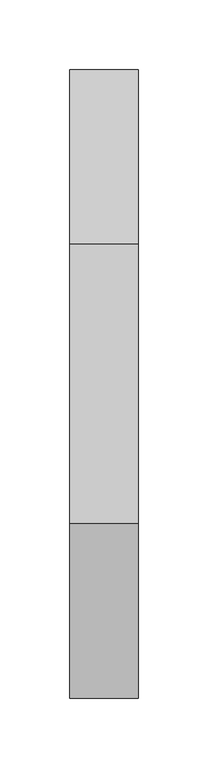
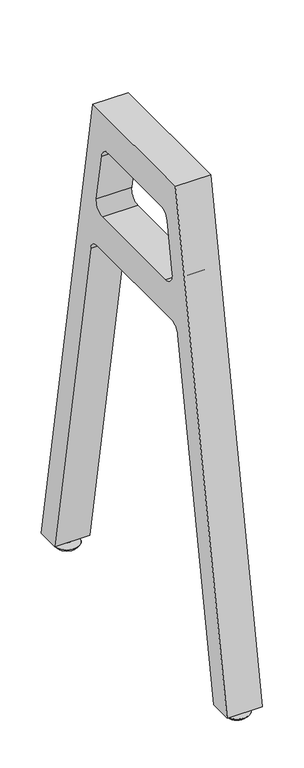
"""IFC4 building model written with IfcOpenShell, lengths in millimetres: furniture geometry."""

import ifcopenshell
import ifcopenshell.guid

model = None  # the IFC model being written
_history = None  # IfcOwnerHistory: only IFC2X3 demands one
_inside = {}  # id of a spatial element -> (the spatial element, [elements in it])
_under = {}  # id of a project, library or spatial element -> (it, [spatial elements below it])
_declared = {}  # id of a project -> (the project, [libraries it declares])
_typed = {}  # id of a type object -> (the type object, [elements of that type])
_made_of = {}  # id of a material, layer set ... -> (it, [elements and type objects made of it])


def new_model(schema):
    """Start an empty IFC model of exactly this schema.

    Asked for "IFC4X3", IfcOpenShell would pick the latest addendum, in which some entities
    have other attributes; the version numbers below select the first issue.
    IFC2X3 requires an IfcOwnerHistory on every rooted entity: one is made here for all.
    """
    global model, _history
    if schema == "IFC4X3":
        model = ifcopenshell.file(schema_version=(4, 3, 0, 0))
    else:
        model = ifcopenshell.file(schema=schema)
    _inside.clear()
    _under.clear()
    _declared.clear()
    _typed.clear()
    _made_of.clear()
    _history = None
    if model.schema == "IFC2X3":
        org = make("IfcOrganization", Name="unknown")
        user = make(
            "IfcPersonAndOrganization",
            ThePerson=make("IfcPerson", FamilyName="unknown"),
            TheOrganization=org,
        )
        app = make(
            "IfcApplication",
            ApplicationDeveloper=org,
            Version="unknown",
            ApplicationFullName="unknown",
            ApplicationIdentifier="unknown",
        )
        _history = make(
            "IfcOwnerHistory",
            OwningUser=user,
            OwningApplication=app,
            ChangeAction="ADDED",
            CreationDate=0,
        )
    return model


def make(cls, **values):
    """One entity of the class cls with the attributes given. An attribute that is None is left unset."""
    return model.create_entity(
        cls, **{name: value for name, value in values.items() if value is not None}
    )


def rooted(cls, **values):
    """An entity with a GlobalId (a new one), such as an element, a storey or a relation."""
    return make(cls, GlobalId=ifcopenshell.guid.new(), OwnerHistory=_history, **values)


def si_unit(unit_type, name, prefix=None):
    """IfcSIUnit, for example si_unit("LENGTHUNIT", "METRE", prefix="MILLI")."""
    return make("IfcSIUnit", UnitType=unit_type, Prefix=prefix, Name=name)


def assignment(units):
    """IfcUnitAssignment: the units of a project."""
    return None if units is None else make("IfcUnitAssignment", Units=units)


def point(xyz):
    """IfcCartesianPoint."""
    return None if xyz is None else make("IfcCartesianPoint", Coordinates=xyz)


def direction(xyz):
    """IfcDirection."""
    return None if xyz is None else make("IfcDirection", DirectionRatios=xyz)


def frame(location, z_axis=None, x_axis=None):
    """IfcAxis2Placement3D, a coordinate frame: its origin and axes. An axis left out is left unset."""
    return make(
        "IfcAxis2Placement3D",
        Location=point(location),
        Axis=direction(z_axis),
        RefDirection=direction(x_axis),
    )


def frame_2d(location, x_axis=None):
    """IfcAxis2Placement2D, a coordinate frame in the plane: its origin and x axis."""
    return make(
        "IfcAxis2Placement2D", Location=point(location), RefDirection=direction(x_axis)
    )


def origin():
    """The frame at (0, 0, 0) with its axes left unset."""
    return frame((0.0, 0.0, 0.0))


def place(relative_to, where):
    """IfcLocalPlacement: puts the frame where relative to a parent placement (None: the world)."""
    return make(
        "IfcLocalPlacement", PlacementRelTo=relative_to, RelativePlacement=where
    )


def context(
    kind, dimensions, precision=None, world=None, true_north=None, identifier=None
):
    """IfcGeometricRepresentationContext, for example the 3D "Model" context."""
    return make(
        "IfcGeometricRepresentationContext",
        ContextIdentifier=identifier,
        ContextType=kind,
        CoordinateSpaceDimension=dimensions,
        Precision=precision,
        WorldCoordinateSystem=world,
        TrueNorth=true_north,
    )


def project(units=None, contexts=None):
    """IfcProject with its units and contexts."""
    return rooted(
        "IfcProject",
        Name="project",
        RepresentationContexts=contexts,
        UnitsInContext=assignment(units),
    )


def spatial(cls, under=None, at=None, **own):
    """A site, building, storey or space (cls), placed at a placement, below another one or the project."""
    s = rooted(cls, ObjectPlacement=at, **own)
    if under is not None:
        _under.setdefault(under.id(), (under, []))[1].append(s)
    return s


def polyline(points):
    """IfcPolyline through the points."""
    return make("IfcPolyline", Points=[point(p) for p in points])


def circle_curve(where, radius):
    """IfcCircle in the frame where."""
    return make("IfcCircle", Position=where, Radius=radius)


def trimmed(basis, trim1, trim2, sense, master):
    """IfcTrimmedCurve: the piece of a basis curve between two trims."""
    return make(
        "IfcTrimmedCurve",
        BasisCurve=basis,
        Trim1=trim1,
        Trim2=trim2,
        SenseAgreement=sense,
        MasterRepresentation=master,
    )


def segment(curve, same_sense, transition):
    """IfcCompositeCurveSegment."""
    return make(
        "IfcCompositeCurveSegment",
        Transition=transition,
        SameSense=same_sense,
        ParentCurve=curve,
    )


def composite_curve(segments, self_intersect=None):
    """IfcCompositeCurve: segments joined end to end."""
    return make("IfcCompositeCurve", Segments=segments, SelfIntersect=self_intersect)


def outline(outer, holes=None, kind="AREA"):
    """IfcArbitraryClosedProfileDef: a profile drawn as a closed curve; with holes, ...WithVoids."""
    if holes is None:
        return make("IfcArbitraryClosedProfileDef", ProfileType=kind, OuterCurve=outer)
    return make(
        "IfcArbitraryProfileDefWithVoids",
        ProfileType=kind,
        OuterCurve=outer,
        InnerCurves=holes,
    )


def extrude(swept, where, along, depth):
    """IfcExtrudedAreaSolid: the profile swept, set in the frame where, extruded along a direction by depth."""
    return make(
        "IfcExtrudedAreaSolid",
        SweptArea=swept,
        Position=where,
        ExtrudedDirection=direction(along),
        Depth=depth,
    )


def shape(context_of_items, identifier, shape_type, items):
    """IfcShapeRepresentation: the items that make up one representation, for example the "Body"."""
    return make(
        "IfcShapeRepresentation",
        ContextOfItems=context_of_items,
        RepresentationIdentifier=identifier,
        RepresentationType=shape_type,
        Items=items,
    )


def source(mapping_origin, context_of_items, identifier, shape_type, items):
    """IfcRepresentationMap: a shape defined once, which mapped items show again and again."""
    return make(
        "IfcRepresentationMap",
        MappingOrigin=mapping_origin,
        MappedRepresentation=shape(context_of_items, identifier, shape_type, items),
    )


def transform(
    local_origin,
    x_axis=None,
    y_axis=None,
    z_axis=None,
    scale=None,
    scale2=None,
    scale3=None,
    uniform=True,
):
    """IfcCartesianTransformationOperator3D, or its non-uniform kind. x_axis, y_axis, z_axis: its Axis1, 2, 3."""
    if uniform:
        return make(
            "IfcCartesianTransformationOperator3D",
            Axis1=direction(x_axis),
            Axis2=direction(y_axis),
            LocalOrigin=point(local_origin),
            Scale=scale,
            Axis3=direction(z_axis),
        )
    return make(
        "IfcCartesianTransformationOperator3DnonUniform",
        Axis1=direction(x_axis),
        Axis2=direction(y_axis),
        LocalOrigin=point(local_origin),
        Scale=scale,
        Axis3=direction(z_axis),
        Scale2=scale2,
        Scale3=scale3,
    )


def mapped(mapping_source, mapping_target):
    """IfcMappedItem: shows the shape of a source again, moved by a transform."""
    return make(
        "IfcMappedItem", MappingSource=mapping_source, MappingTarget=mapping_target
    )


def made_of(thing, what):
    """Note that an element or type object is made of a material, layer set ...; save() writes the relation."""
    if what is not None:
        _made_of.setdefault(what.id(), (what, []))[1].append(thing)
    return thing


def element(
    cls,
    number,
    at=None,
    inside=None,
    cuts=None,
    type_object=None,
    material=None,
    context=None,
    identifier="Body",
    shape_type=None,
    held_by="IfcProductDefinitionShape",
    body=None,
    shapes=None,
    **own,
):
    """One element of the class cls, such as IfcWall. Its Tag is "e" and its number.

    at: its placement. inside: the storey or other place that contains it. cuts: it is an
    opening in that element (IfcRelVoidsElement). A single representation is given by context,
    identifier, shape_type and body (its items); several are given by shapes. held_by: the class
    of the entity that holds the representations. save() writes the other relations.
    """
    e = rooted(cls, Tag="e%d" % number, ObjectPlacement=at, **own)
    if body is not None:
        shapes = [shape(context, identifier, shape_type, body)]
    if shapes is not None:
        e.Representation = make(held_by, Representations=shapes)
    if inside is not None:
        _inside.setdefault(inside.id(), (inside, []))[1].append(e)
    if cuts is not None:
        rooted(
            "IfcRelVoidsElement", RelatingBuildingElement=cuts, RelatedOpeningElement=e
        )
    if type_object is not None:
        _typed.setdefault(type_object.id(), (type_object, []))[1].append(e)
    return made_of(e, material)


def aggregate(whole, parts):
    """IfcRelAggregates: a whole, such as a stair, and the parts it consists of."""
    return rooted("IfcRelAggregates", RelatingObject=whole, RelatedObjects=parts)


def save(model, path):
    """Write the relations noted so far, then the file.

    IfcRelAggregates (storeys below a building ...), IfcRelContainedInSpatialStructure (elements
    in a storey), IfcRelDefinesByType, IfcRelAssociatesMaterial and IfcRelDeclares: one each for
    every whole, place, type object, material and project.
    """
    for whole, parts in _under.values():
        aggregate(whole, parts)
    for where, things in _inside.values():
        rooted(
            "IfcRelContainedInSpatialStructure",
            RelatedElements=things,
            RelatingStructure=where,
        )
    for kind, things in _typed.values():
        rooted("IfcRelDefinesByType", RelatedObjects=things, RelatingType=kind)
    for what, things in _made_of.values():
        rooted("IfcRelAssociatesMaterial", RelatedObjects=things, RelatingMaterial=what)
    for by, libraries in _declared.values():
        rooted("IfcRelDeclares", RelatingContext=by, RelatedDefinitions=libraries)
    model.write(path)


def plane_surface(at):
    """IfcPlane: the flat surface through the origin of the frame at, square to its z axis."""
    return make("IfcPlane", Position=at)


def revolved_surface(curve, axis_point, axis_direction):
    """IfcSurfaceOfRevolution: the curve turned about the line through axis_point along axis_direction."""
    return make(
        "IfcSurfaceOfRevolution",
        SweptCurve=make("IfcArbitraryOpenProfileDef", ProfileType="CURVE", Curve=curve),
        AxisPosition=make("IfcAxis1Placement", Location=point(axis_point), Axis=direction(axis_direction)),
    )


def spline_surface(u_degree, v_degree, points, u_multiplicities, v_multiplicities, u_knots, v_knots, weights=None):
    """IfcBSplineSurfaceWithKnots; with weights, IfcRationalBSplineSurfaceWithKnots. points: one row for each step in u."""
    own = dict(
        UDegree=u_degree,
        VDegree=v_degree,
        ControlPointsList=[[point(p) for p in row] for row in points],
        SurfaceForm="UNSPECIFIED",
        UClosed=False,
        VClosed=False,
        SelfIntersect=False,
        UMultiplicities=u_multiplicities,
        VMultiplicities=v_multiplicities,
        UKnots=u_knots,
        VKnots=v_knots,
        KnotSpec="UNSPECIFIED",
    )
    if weights is None:
        return make("IfcBSplineSurfaceWithKnots", **own)
    return make("IfcRationalBSplineSurfaceWithKnots", WeightsData=weights, **own)


def advanced_brep(points, edges, surfaces, faces):
    """IfcAdvancedBrep: a solid bounded by faces that lie on surfaces and meet in shared edges.

    An edge is (start, end): straight between two places in points (the first is 0);
    or (start, end, curve); or (start, end, curve, False) where it runs against its curve.
    A face is (place in surfaces, loops), or (place, loops, False) where it looks against
    its surface's normal. A loop lists edges by number (the first is 1), with a minus sign
    where the edge is run from its end to its start. The first loop is the outer one.
    """
    corners = [point(p) for p in points]
    vertices = [make("IfcVertexPoint", VertexGeometry=c) for c in corners]
    made = []
    for start, end, *more in edges:
        made.append(
            make(
                "IfcEdgeCurve",
                EdgeStart=vertices[start],
                EdgeEnd=vertices[end],
                EdgeGeometry=more[0] if more else make("IfcPolyline", Points=[corners[start], corners[end]]),
                SameSense=more[1] if len(more) > 1 else True,
            )
        )
    hull = []
    for where, loops, *sense in faces:
        bounds = []
        for j, loop in enumerate(loops):
            ring = [make("IfcOrientedEdge", EdgeElement=made[abs(k) - 1], Orientation=k > 0) for k in loop]
            bounds.append(
                make(
                    "IfcFaceOuterBound" if j == 0 else "IfcFaceBound",
                    Bound=make("IfcEdgeLoop", EdgeList=ring),
                    Orientation=True,
                )
            )
        hull.append(make("IfcAdvancedFace", Bounds=bounds, FaceSurface=surfaces[where], SameSense=sense[0] if sense else True))
    return make("IfcAdvancedBrep", Outer=make("IfcClosedShell", CfsFaces=hull))


def furniture_f60b46cc(model_context):
    return source(origin(), model_context, "Body", "SolidModel", [
        extrude(outline(composite_curve([segment(trimmed(circle_curve(frame_2d((24.5569238, 19.0749984)), 4.7559133), [point((19.8010105, 19.0749984))], [point((29.3128371, 19.0749984))], False, "CARTESIAN"), True, "CONTINUOUS"), segment(trimmed(circle_curve(frame_2d((24.5569238, 19.0749984)), 4.7559133), [point((29.3128371, 19.0749984))], [point((19.8010105, 19.0749984))], False, "CARTESIAN"), True, "CONTINUOUS")], self_intersect=False)), frame((0.0, 0.0, 13.97), z_axis=(0.0, 0.0, 1.0), x_axis=(1.0, 0.0, 0.0)), (0.0, 0.0, 1.0), 50.8),
        advanced_brep(
        [(18.6813191, 19.0778477, 10.16), (30.4074445, 19.0778477, 10.16), (17.7939505, 19.0282384, 6.584846), (31.2930423, 19.0282384, 6.584846)],
        [
            (0, 1, circle_curve(frame((24.5443818, 19.0778477, 10.16), z_axis=(0.0, 0.0, 1.0), x_axis=(1.0, 0.0, 0.0)), 5.8630627)),
            (1, 0, circle_curve(frame((24.5443818, 19.0778477, 10.16), z_axis=(0.0, 0.0, 1.0), x_axis=(1.0, 0.0, 0.0)), 5.8630627)),
            (2, 3, circle_curve(frame((24.5434964, 19.0282384, 6.584846), z_axis=(0.0, 0.0, -1.0), x_axis=(1.0, 0.0, 0.0)), 6.7495459)),
            (3, 2, circle_curve(frame((24.5434964, 19.0282384, 6.584846), z_axis=(0.0, 0.0, -1.0), x_axis=(1.0, 0.0, 0.0)), 6.7495459)),
            (3, 1),
            (0, 2),
        ],
        [
            plane_surface(frame((24.5443818, 19.0778477, 10.16), z_axis=(0.0, 0.0, 1.0), x_axis=(0.0, -1.0, 0.0))),
            plane_surface(frame((24.5434964, 19.0282384, 6.584846), z_axis=(0.0, 0.0, -1.0), x_axis=(0.0, -1.0, 0.0))),
            spline_surface(2, 1, [[(17.7939505, 19.0282384, 6.584846), (18.6813191, 19.0778477, 10.16)], [(17.7939505, 12.278692500000002, 6.584846), (18.6813191, 13.214785, 10.16)], [(24.5434964, 12.278692500000002, 6.584846), (24.5443818, 13.214785, 10.16)], [(31.293042299999996, 12.278692500000005, 6.584846), (30.4074445, 13.214785000000003, 10.16)], [(31.2930423, 19.0282384, 6.584846), (30.4074445, 19.0778477, 10.16)]], [3, 2, 3], [2, 2], [0.0, 1.0, 2.0], [0.0, 1.0], weights=[[1.0, 1.0], [0.7071067811865476, 0.7071067811865476], [1.0, 1.0], [0.7071067811865477, 0.7071067811865477], [1.0, 1.0]]),
            spline_surface(2, 1, [[(31.2930423, 19.0282384, 6.584846), (30.4074445, 19.0778477, 10.16)], [(31.2930423, 25.7777843, 6.584846), (30.4074445, 24.9409104, 10.16)], [(24.5434964, 25.7777843, 6.584846), (24.5443818, 24.9409104, 10.16)], [(17.793950499999998, 25.777784300000004, 6.584846), (18.6813191, 24.940910400000003, 10.16)], [(17.7939505, 19.0282384, 6.584846), (18.6813191, 19.0778477, 10.16)]], [3, 2, 3], [2, 2], [0.0, 1.0, 2.0], [0.0, 1.0], weights=[[1.0, 1.0], [0.7071067811865476, 0.7071067811865476], [1.0, 1.0], [0.7071067811865472, 0.7071067811865472], [1.0, 1.0]]),
        ],
        [
            (0, [[1, 2]]),
            (1, [[3, 4]]),
            (2, [[-4, 5, -1, 6]]),
            (3, [[-3, -6, -2, -5]]),
        ],
    ),
        extrude(outline(composite_curve([segment(trimmed(circle_curve(frame_2d((24.5669801, 19.1101669)), 8.0885268), [point((16.4784533, 19.1101669))], [point((32.6555069, 19.1101669))], False, "CARTESIAN"), True, "CONTINUOUS"), segment(trimmed(circle_curve(frame_2d((24.5669801, 19.1101669)), 8.0885268), [point((32.6555069, 19.1101669))], [point((16.4784533, 19.1101669))], False, "CARTESIAN"), True, "CONTINUOUS")], self_intersect=False)), frame((0.0, 0.0, 10.16), z_axis=(0.0, 0.0, 1.0), x_axis=(1.0, 0.0, 0.0)), (0.0, 0.0, 1.0), 3.81),
        advanced_brep(
        [(17.7442301, 19.0320697, 6.584846), (31.3154293, 19.0320697, 6.584846), (7.0485966, 18.932851, 3.2723529), (41.8364836, 18.932851, 3.2723529)],
        [
            (0, 1, circle_curve(frame((24.5298297, 19.0320697, 6.584846), z_axis=(0.0, 0.0, 1.0), x_axis=(1.0, 0.0, 0.0)), 6.7855996)),
            (1, 0, circle_curve(frame((24.5298297, 19.0320697, 6.584846), z_axis=(0.0, 0.0, 1.0), x_axis=(1.0, 0.0, 0.0)), 6.7855996)),
            (2, 3, circle_curve(frame((24.4425401, 18.932851, 3.2723529), z_axis=(0.0, 0.0, -1.0), x_axis=(1.0, 0.0, 0.0)), 17.3939435)),
            (3, 2, circle_curve(frame((24.4425401, 18.932851, 3.2723529), z_axis=(0.0, 0.0, -1.0), x_axis=(1.0, 0.0, 0.0)), 17.3939435)),
            (3, 1),
            (0, 2),
        ],
        [
            plane_surface(frame((24.5298297, 19.0320697, 6.584846), z_axis=(0.0, 0.0, 1.0), x_axis=(0.0, -1.0, 0.0))),
            plane_surface(frame((24.4425401, 18.932851, 3.2723529), z_axis=(0.0, 0.0, -1.0), x_axis=(0.0, -1.0, 0.0))),
            spline_surface(2, 1, [[(7.0485966, 18.932851, 3.2723529), (17.7442301, 19.0320697, 6.584846)], [(7.0485966, 1.5389075000000005, 3.2723529), (17.7442301, 12.2464701, 6.584846)], [(24.4425401, 1.5389075000000005, 3.2723529), (24.5298297, 12.2464701, 6.584846)], [(41.836483599999994, 1.538907500000004, 3.2723529), (31.3154293, 12.246470100000002, 6.584846)], [(41.8364836, 18.932851, 3.2723529), (31.3154293, 19.0320697, 6.584846)]], [3, 2, 3], [2, 2], [0.0, 1.0, 2.0], [0.0, 1.0], weights=[[1.0, 1.0], [0.7071067811865476, 0.7071067811865476], [1.0, 1.0], [0.7071067811865476, 0.7071067811865476], [1.0, 1.0]]),
            spline_surface(2, 1, [[(41.8364836, 18.932851, 3.2723529), (31.3154293, 19.0320697, 6.584846)], [(41.8364836, 36.326794500000005, 3.2723529), (31.3154293, 25.817669300000002, 6.584846)], [(24.4425401, 36.326794500000005, 3.2723529), (24.5298297, 25.817669300000002, 6.584846)], [(7.048596599999996, 36.326794500000005, 3.2723529), (17.7442301, 25.817669300000006, 6.584846)], [(7.0485966, 18.932851, 3.2723529), (17.7442301, 19.0320697, 6.584846)]], [3, 2, 3], [2, 2], [0.0, 1.0, 2.0], [0.0, 1.0], weights=[[1.0, 1.0], [0.7071067811865476, 0.7071067811865476], [1.0, 1.0], [0.7071067811865475, 0.7071067811865475], [1.0, 1.0]]),
        ],
        [
            (0, [[1, 2]]),
            (1, [[3, 4]]),
            (2, [[-4, 5, -1, 6]]),
            (3, [[-3, -6, -2, -5]]),
        ],
    ),
        advanced_brep(
        [(9.6227561, 19.1568354, 0.0), (39.4892983, 19.1568354, 0.0), (7.0611697, 19.1568354, 3.2723529), (42.0508847, 19.1568354, 3.2723529)],
        [
            (0, 1, circle_curve(frame((24.5560272, 19.1568354, 0.0), z_axis=(0.0, 0.0, -1.0), x_axis=(-1.0, 0.0, 0.0)), 14.9332711)),
            (1, 0, circle_curve(frame((24.5560272, 19.1568354, 0.0), z_axis=(0.0, 0.0, -1.0), x_axis=(1.0, 0.0, 0.0)), 14.9332711)),
            (2, 3, circle_curve(frame((24.5560272, 19.1568354, 3.2723529), z_axis=(0.0, 0.0, 1.0), x_axis=(1.0, 0.0, 0.0)), 17.4948575)),
            (3, 2, circle_curve(frame((24.5560272, 19.1568354, 3.2723529), z_axis=(0.0, 0.0, 1.0), x_axis=(-1.0, 0.0, 0.0)), 17.4948575)),
            (3, 1),
            (0, 2),
        ],
        [
            plane_surface(frame((24.5560272, 19.1568354, 0.0), z_axis=(0.0, 0.0, -1.0), x_axis=(0.0, -1.0, 0.0))),
            plane_surface(frame((24.5560272, 19.1568354, 3.2723529), z_axis=(0.0, 0.0, 1.0), x_axis=(0.0, -1.0, 0.0))),
            revolved_surface(polyline([(9.622756126367634, 19.1568354, 0.0), (7.061169700000001, 19.1568354, 3.2723529000000013)]), (24.5560272, 19.1568354, -19.0768238), (0.0, 0.0, 1.0)),
            revolved_surface(polyline([(39.489298273632365, 19.1568354, 0.0), (42.0508847, 19.1568354, 3.2723529000000013)]), (24.5560272, 19.1568354, -19.0768238), (0.0, 0.0, 1.0)),
        ],
        [
            (0, [[1, 2]]),
            (1, [[3, 4]]),
            (2, [[-4, 5, -1, 6]]),
            (3, [[-3, -6, -2, -5]]),
        ],
    ),
        extrude(outline(composite_curve([segment(polyline([(325.4462446, 723.9), (450.85, 12.7000004), (418.6101983, 12.7000004), (331.3734087, 507.4444497)]), True, "CONTINUOUS"), segment(trimmed(circle_curve(frame_2d((315.5760447, 504.6589483)), 16.0410638), [point((331.3734087, 507.4444497))], [point((315.5760447, 520.7000121))], True, "CARTESIAN"), True, "CONTINUOUS"), segment(polyline([(315.5760447, 520.7000121), (135.3200361, 520.7000121)]), True, "CONTINUOUS"), segment(trimmed(circle_curve(frame_2d((135.3200361, 504.6039936)), 16.0960185), [point((135.3200361, 520.7000121))], [point((119.468552, 507.3990362))], True, "CARTESIAN"), True, "CONTINUOUS"), segment(polyline([(119.468552, 507.3990362), (32.2398199, 12.7000004), (0.0, 12.7000004), (125.4037554, 723.9), (325.4462446, 723.9)]), True, "CONTINUOUS")], self_intersect=False), holes=[composite_curve([segment(polyline([(148.9336513, 571.5), (302.0402355, 571.5)]), True, "CONTINUOUS"), segment(trimmed(circle_curve(frame_2d((302.0402355, 586.6360581)), 15.1360581), [point((302.0402355, 571.5))], [point((316.9463428, 589.2644073))], True, "CARTESIAN"), True, "CONTINUOUS"), segment(polyline([(316.9463428, 589.2644073), (304.4918525, 659.8973224)]), True, "CONTINUOUS"), segment(trimmed(circle_curve(frame_2d((288.7575426, 657.1229387)), 15.9770371), [point((304.4918525, 659.8973224))], [point((288.7575426, 673.0999758))], True, "CARTESIAN"), True, "CONTINUOUS"), segment(polyline([(288.7575426, 673.0999758), (162.1134084, 673.0999758)]), True, "CONTINUOUS"), segment(trimmed(circle_curve(frame_2d((162.1134084, 657.0979758)), 16.002), [point((162.1134084, 673.0999758))], [point((146.3545145, 659.8766923))], True, "CARTESIAN"), True, "CONTINUOUS"), segment(polyline([(146.3545145, 659.8766923), (133.9251809, 589.3863967)]), True, "CONTINUOUS"), segment(trimmed(circle_curve(frame_2d((148.9336513, 586.74)), 15.24), [point((133.9251809, 589.3863967))], [point((148.9336513, 571.5))], True, "CARTESIAN"), True, "CONTINUOUS")], self_intersect=False)]), frame((0.0, 0.0, 0.0), z_axis=(1.0, 0.0, 0.0), x_axis=(0.0, 1.0, 0.0)), (0.0, 0.0, 1.0), 49.1236),
        extrude(outline(composite_curve([segment(trimmed(circle_curve(frame_2d((24.5569238, 431.7750016)), 4.7559133), [point((19.8010105, 431.7750016))], [point((29.3128371, 431.7750016))], False, "CARTESIAN"), True, "CONTINUOUS"), segment(trimmed(circle_curve(frame_2d((24.5569238, 431.7750016)), 4.7559133), [point((29.3128371, 431.7750016))], [point((19.8010105, 431.7750016))], False, "CARTESIAN"), True, "CONTINUOUS")], self_intersect=False)), frame((0.0, 0.0, 13.97), z_axis=(0.0, 0.0, 1.0), x_axis=(1.0, 0.0, 0.0)), (0.0, 0.0, 1.0), 50.8),
        advanced_brep(
        [(18.6813191, 431.7721523, 10.16), (30.4074445, 431.7721523, 10.16), (17.7939505, 431.8217616, 6.584846), (31.2930423, 431.8217616, 6.584846)],
        [
            (0, 1, circle_curve(frame((24.5443818, 431.7721523, 10.16), z_axis=(0.0, 0.0, 1.0), x_axis=(1.0, 0.0, 0.0)), 5.8630627)),
            (1, 0, circle_curve(frame((24.5443818, 431.7721523, 10.16), z_axis=(0.0, 0.0, 1.0), x_axis=(1.0, 0.0, 0.0)), 5.8630627)),
            (2, 3, circle_curve(frame((24.5434964, 431.8217616, 6.584846), z_axis=(0.0, 0.0, -1.0), x_axis=(1.0, 0.0, 0.0)), 6.7495459)),
            (3, 2, circle_curve(frame((24.5434964, 431.8217616, 6.584846), z_axis=(0.0, 0.0, -1.0), x_axis=(1.0, 0.0, 0.0)), 6.7495459)),
            (3, 1),
            (0, 2),
        ],
        [
            plane_surface(frame((24.5443818, 431.7721523, 10.16), z_axis=(0.0, 0.0, 1.0), x_axis=(0.0, -1.0, 0.0))),
            plane_surface(frame((24.5434964, 431.8217616, 6.584846), z_axis=(0.0, 0.0, -1.0), x_axis=(0.0, -1.0, 0.0))),
            spline_surface(2, 1, [[(17.7939505, 431.8217616, 6.584846), (18.6813191, 431.7721523, 10.16)], [(17.7939505, 425.0722157, 6.584846), (18.6813191, 425.9090896, 10.16)], [(24.5434964, 425.0722157, 6.584846), (24.5443818, 425.9090896, 10.16)], [(31.293042299999996, 425.0722157, 6.584846), (30.4074445, 425.9090896, 10.16)], [(31.2930423, 431.8217616, 6.584846), (30.4074445, 431.7721523, 10.16)]], [3, 2, 3], [2, 2], [0.0, 1.0, 2.0], [0.0, 1.0], weights=[[1.0, 1.0], [0.7071067811865476, 0.7071067811865476], [1.0, 1.0], [0.7071067811865477, 0.7071067811865477], [1.0, 1.0]]),
            spline_surface(2, 1, [[(31.2930423, 431.8217616, 6.584846), (30.4074445, 431.7721523, 10.16)], [(31.2930423, 438.5713075, 6.584846), (30.4074445, 437.635215, 10.16)], [(24.5434964, 438.5713075, 6.584846), (24.5443818, 437.635215, 10.16)], [(17.793950499999998, 438.5713075, 6.584846), (18.6813191, 437.635215, 10.16)], [(17.7939505, 431.8217616, 6.584846), (18.6813191, 431.7721523, 10.16)]], [3, 2, 3], [2, 2], [0.0, 1.0, 2.0], [0.0, 1.0], weights=[[1.0, 1.0], [0.7071067811865476, 0.7071067811865476], [1.0, 1.0], [0.7071067811865472, 0.7071067811865472], [1.0, 1.0]]),
        ],
        [
            (0, [[1, 2]]),
            (1, [[3, 4]]),
            (2, [[-4, 5, -1, 6]]),
            (3, [[-3, -6, -2, -5]]),
        ],
    ),
        extrude(outline(composite_curve([segment(trimmed(circle_curve(frame_2d((24.5669801, 431.7398331)), 8.0885268), [point((16.4784533, 431.7398331))], [point((32.6555069, 431.7398331))], False, "CARTESIAN"), True, "CONTINUOUS"), segment(trimmed(circle_curve(frame_2d((24.5669801, 431.7398331)), 8.0885268), [point((32.6555069, 431.7398331))], [point((16.4784533, 431.7398331))], False, "CARTESIAN"), True, "CONTINUOUS")], self_intersect=False)), frame((0.0, 0.0, 10.16), z_axis=(0.0, 0.0, 1.0), x_axis=(1.0, 0.0, 0.0)), (0.0, 0.0, 1.0), 3.81),
        advanced_brep(
        [(17.7442301, 431.8179303, 6.584846), (31.3154293, 431.8179303, 6.584846), (7.0485966, 431.917149, 3.2723529), (41.8364836, 431.917149, 3.2723529)],
        [
            (0, 1, circle_curve(frame((24.5298297, 431.8179303, 6.584846), z_axis=(0.0, 0.0, 1.0), x_axis=(1.0, 0.0, 0.0)), 6.7855996)),
            (1, 0, circle_curve(frame((24.5298297, 431.8179303, 6.584846), z_axis=(0.0, 0.0, 1.0), x_axis=(1.0, 0.0, 0.0)), 6.7855996)),
            (2, 3, circle_curve(frame((24.4425401, 431.917149, 3.2723529), z_axis=(0.0, 0.0, -1.0), x_axis=(1.0, 0.0, 0.0)), 17.3939435)),
            (3, 2, circle_curve(frame((24.4425401, 431.917149, 3.2723529), z_axis=(0.0, 0.0, -1.0), x_axis=(1.0, 0.0, 0.0)), 17.3939435)),
            (3, 1),
            (0, 2),
        ],
        [
            plane_surface(frame((24.5298297, 431.8179303, 6.584846), z_axis=(0.0, 0.0, 1.0), x_axis=(0.0, -1.0, 0.0))),
            plane_surface(frame((24.4425401, 431.917149, 3.2723529), z_axis=(0.0, 0.0, -1.0), x_axis=(0.0, -1.0, 0.0))),
            spline_surface(2, 1, [[(7.0485966, 431.917149, 3.2723529), (17.7442301, 431.8179303, 6.584846)], [(7.0485966, 414.5232055, 3.2723529), (17.7442301, 425.0323307, 6.584846)], [(24.4425401, 414.5232055, 3.2723529), (24.5298297, 425.0323307, 6.584846)], [(41.836483599999994, 414.5232055, 3.2723529), (31.3154293, 425.0323307, 6.584846)], [(41.8364836, 431.917149, 3.2723529), (31.3154293, 431.8179303, 6.584846)]], [3, 2, 3], [2, 2], [0.0, 1.0, 2.0], [0.0, 1.0], weights=[[1.0, 1.0], [0.7071067811865476, 0.7071067811865476], [1.0, 1.0], [0.7071067811865476, 0.7071067811865476], [1.0, 1.0]]),
            spline_surface(2, 1, [[(41.8364836, 431.917149, 3.2723529), (31.3154293, 431.8179303, 6.584846)], [(41.8364836, 449.3110925, 3.2723529), (31.3154293, 438.6035299, 6.584846)], [(24.4425401, 449.3110925, 3.2723529), (24.5298297, 438.6035299, 6.584846)], [(7.048596599999996, 449.3110925, 3.2723529), (17.7442301, 438.6035299, 6.584846)], [(7.0485966, 431.917149, 3.2723529), (17.7442301, 431.8179303, 6.584846)]], [3, 2, 3], [2, 2], [0.0, 1.0, 2.0], [0.0, 1.0], weights=[[1.0, 1.0], [0.7071067811865476, 0.7071067811865476], [1.0, 1.0], [0.7071067811865475, 0.7071067811865475], [1.0, 1.0]]),
        ],
        [
            (0, [[1, 2]]),
            (1, [[3, 4]]),
            (2, [[-4, 5, -1, 6]]),
            (3, [[-3, -6, -2, -5]]),
        ],
    ),
        advanced_brep(
        [(9.6227561, 431.6931646, 0.0), (39.4892983, 431.6931646, 0.0), (7.0611697, 431.6931646, 3.2723529), (42.0508847, 431.6931646, 3.2723529)],
        [
            (0, 1, circle_curve(frame((24.5560272, 431.6931646, 0.0), z_axis=(0.0, 0.0, -1.0), x_axis=(-1.0, 0.0, 0.0)), 14.9332711)),
            (1, 0, circle_curve(frame((24.5560272, 431.6931646, 0.0), z_axis=(0.0, 0.0, -1.0), x_axis=(1.0, 0.0, 0.0)), 14.9332711)),
            (2, 3, circle_curve(frame((24.5560272, 431.6931646, 3.2723529), z_axis=(0.0, 0.0, 1.0), x_axis=(1.0, 0.0, 0.0)), 17.4948575)),
            (3, 2, circle_curve(frame((24.5560272, 431.6931646, 3.2723529), z_axis=(0.0, 0.0, 1.0), x_axis=(-1.0, 0.0, 0.0)), 17.4948575)),
            (3, 1),
            (0, 2),
        ],
        [
            plane_surface(frame((24.5560272, 431.6931646, 0.0), z_axis=(0.0, 0.0, -1.0), x_axis=(0.0, -1.0, 0.0))),
            plane_surface(frame((24.5560272, 431.6931646, 3.2723529), z_axis=(0.0, 0.0, 1.0), x_axis=(0.0, -1.0, 0.0))),
            revolved_surface(polyline([(9.622756126367634, 431.6931646, 0.0), (7.061169700000001, 431.6931646, 3.2723529000000013)]), (24.5560272, 431.6931646, -19.0768238), (0.0, 0.0, 1.0)),
            revolved_surface(polyline([(39.489298273632365, 431.6931646, 0.0), (42.0508847, 431.6931646, 3.2723529000000013)]), (24.5560272, 431.6931646, -19.0768238), (0.0, 0.0, 1.0)),
        ],
        [
            (0, [[1, 2]]),
            (1, [[3, 4]]),
            (2, [[-4, 5, -1, 6]]),
            (3, [[-3, -6, -2, -5]]),
        ],
    ),
    ])


if __name__ == "__main__":
    model = new_model("IFC4")
    model_context = context("Model", 3, world=origin())
    ifc_project = project(units=[si_unit("LENGTHUNIT", "METRE", prefix="MILLI")], contexts=[model_context])
    site = spatial("IfcSite", under=ifc_project)
    building = spatial("IfcBuilding", under=site)
    placement = place(None, origin())
    furniture_shape = furniture_f60b46cc(model_context)
    element("IfcFurniture", 1, at=placement, inside=building, context=model_context, shape_type="MappedRepresentation", body=[
        mapped(furniture_shape, transform((0.0, 0.0, 0.0), x_axis=(1.0, 0.0, 0.0), y_axis=(0.0, 1.0, 0.0), z_axis=(0.0, 0.0, 1.0))),
    ])
    save(model, "model.ifc")
